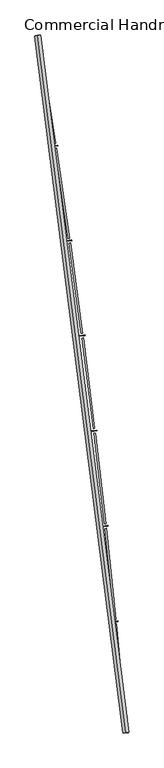
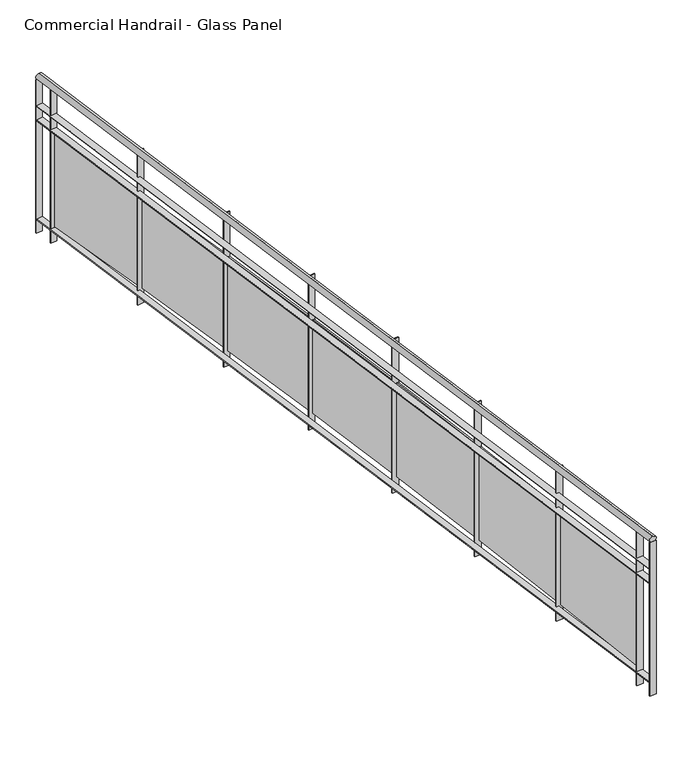
"""IFC4 building model written with IfcOpenShell, lengths in millimetres: railing geometry, Commercial Handrail - Glass Panel."""

import ifcopenshell
import ifcopenshell.guid

model = None  # the IFC model being written
_history = None  # IfcOwnerHistory: only IFC2X3 demands one
_inside = {}  # id of a spatial element -> (the spatial element, [elements in it])
_under = {}  # id of a project, library or spatial element -> (it, [spatial elements below it])
_declared = {}  # id of a project -> (the project, [libraries it declares])
_typed = {}  # id of a type object -> (the type object, [elements of that type])
_made_of = {}  # id of a material, layer set ... -> (it, [elements and type objects made of it])


def new_model(schema):
    """Start an empty IFC model of exactly this schema.

    Asked for "IFC4X3", IfcOpenShell would pick the latest addendum, in which some entities
    have other attributes; the version numbers below select the first issue.
    IFC2X3 requires an IfcOwnerHistory on every rooted entity: one is made here for all.
    """
    global model, _history
    if schema == "IFC4X3":
        model = ifcopenshell.file(schema_version=(4, 3, 0, 0))
    else:
        model = ifcopenshell.file(schema=schema)
    _inside.clear()
    _under.clear()
    _declared.clear()
    _typed.clear()
    _made_of.clear()
    _history = None
    if model.schema == "IFC2X3":
        org = make("IfcOrganization", Name="unknown")
        user = make(
            "IfcPersonAndOrganization",
            ThePerson=make("IfcPerson", FamilyName="unknown"),
            TheOrganization=org,
        )
        app = make(
            "IfcApplication",
            ApplicationDeveloper=org,
            Version="unknown",
            ApplicationFullName="unknown",
            ApplicationIdentifier="unknown",
        )
        _history = make(
            "IfcOwnerHistory",
            OwningUser=user,
            OwningApplication=app,
            ChangeAction="ADDED",
            CreationDate=0,
        )
    return model


def make(cls, **values):
    """One entity of the class cls with the attributes given. An attribute that is None is left unset."""
    return model.create_entity(
        cls, **{name: value for name, value in values.items() if value is not None}
    )


def rooted(cls, **values):
    """An entity with a GlobalId (a new one), such as an element, a storey or a relation."""
    return make(cls, GlobalId=ifcopenshell.guid.new(), OwnerHistory=_history, **values)


def si_unit(unit_type, name, prefix=None):
    """IfcSIUnit, for example si_unit("LENGTHUNIT", "METRE", prefix="MILLI")."""
    return make("IfcSIUnit", UnitType=unit_type, Prefix=prefix, Name=name)


def assignment(units):
    """IfcUnitAssignment: the units of a project."""
    return None if units is None else make("IfcUnitAssignment", Units=units)


def point(xyz):
    """IfcCartesianPoint."""
    return None if xyz is None else make("IfcCartesianPoint", Coordinates=xyz)


def direction(xyz):
    """IfcDirection."""
    return None if xyz is None else make("IfcDirection", DirectionRatios=xyz)


def frame(location, z_axis=None, x_axis=None):
    """IfcAxis2Placement3D, a coordinate frame: its origin and axes. An axis left out is left unset."""
    return make(
        "IfcAxis2Placement3D",
        Location=point(location),
        Axis=direction(z_axis),
        RefDirection=direction(x_axis),
    )


def origin():
    """The frame at (0, 0, 0) with its axes left unset."""
    return frame((0.0, 0.0, 0.0))


def place(relative_to, where):
    """IfcLocalPlacement: puts the frame where relative to a parent placement (None: the world)."""
    return make(
        "IfcLocalPlacement", PlacementRelTo=relative_to, RelativePlacement=where
    )


def context(
    kind, dimensions, precision=None, world=None, true_north=None, identifier=None
):
    """IfcGeometricRepresentationContext, for example the 3D "Model" context."""
    return make(
        "IfcGeometricRepresentationContext",
        ContextIdentifier=identifier,
        ContextType=kind,
        CoordinateSpaceDimension=dimensions,
        Precision=precision,
        WorldCoordinateSystem=world,
        TrueNorth=true_north,
    )


def project(units=None, contexts=None):
    """IfcProject with its units and contexts."""
    return rooted(
        "IfcProject",
        Name="project",
        RepresentationContexts=contexts,
        UnitsInContext=assignment(units),
    )


def spatial(cls, under=None, at=None, **own):
    """A site, building, storey or space (cls), placed at a placement, below another one or the project."""
    s = rooted(cls, ObjectPlacement=at, **own)
    if under is not None:
        _under.setdefault(under.id(), (under, []))[1].append(s)
    return s


def polyline(points):
    """IfcPolyline through the points."""
    return make("IfcPolyline", Points=[point(p) for p in points])


def circle_curve(where, radius):
    """IfcCircle in the frame where."""
    return make("IfcCircle", Position=where, Radius=radius)


def ellipse_curve(where, semi_axis1, semi_axis2):
    """IfcEllipse in the frame where."""
    return make(
        "IfcEllipse", Position=where, SemiAxis1=semi_axis1, SemiAxis2=semi_axis2
    )


def trimmed(basis, trim1, trim2, sense, master):
    """IfcTrimmedCurve: the piece of a basis curve between two trims."""
    return make(
        "IfcTrimmedCurve",
        BasisCurve=basis,
        Trim1=trim1,
        Trim2=trim2,
        SenseAgreement=sense,
        MasterRepresentation=master,
    )


def outline(outer, holes=None, kind="AREA"):
    """IfcArbitraryClosedProfileDef: a profile drawn as a closed curve; with holes, ...WithVoids."""
    if holes is None:
        return make("IfcArbitraryClosedProfileDef", ProfileType=kind, OuterCurve=outer)
    return make(
        "IfcArbitraryProfileDefWithVoids",
        ProfileType=kind,
        OuterCurve=outer,
        InnerCurves=holes,
    )


def extrude(swept, where, along, depth):
    """IfcExtrudedAreaSolid: the profile swept, set in the frame where, extruded along a direction by depth."""
    return make(
        "IfcExtrudedAreaSolid",
        SweptArea=swept,
        Position=where,
        ExtrudedDirection=direction(along),
        Depth=depth,
    )


def shape(context_of_items, identifier, shape_type, items):
    """IfcShapeRepresentation: the items that make up one representation, for example the "Body"."""
    return make(
        "IfcShapeRepresentation",
        ContextOfItems=context_of_items,
        RepresentationIdentifier=identifier,
        RepresentationType=shape_type,
        Items=items,
    )


def source(mapping_origin, context_of_items, identifier, shape_type, items):
    """IfcRepresentationMap: a shape defined once, which mapped items show again and again."""
    return make(
        "IfcRepresentationMap",
        MappingOrigin=mapping_origin,
        MappedRepresentation=shape(context_of_items, identifier, shape_type, items),
    )


def transform(
    local_origin,
    x_axis=None,
    y_axis=None,
    z_axis=None,
    scale=None,
    scale2=None,
    scale3=None,
    uniform=True,
):
    """IfcCartesianTransformationOperator3D, or its non-uniform kind. x_axis, y_axis, z_axis: its Axis1, 2, 3."""
    if uniform:
        return make(
            "IfcCartesianTransformationOperator3D",
            Axis1=direction(x_axis),
            Axis2=direction(y_axis),
            LocalOrigin=point(local_origin),
            Scale=scale,
            Axis3=direction(z_axis),
        )
    return make(
        "IfcCartesianTransformationOperator3DnonUniform",
        Axis1=direction(x_axis),
        Axis2=direction(y_axis),
        LocalOrigin=point(local_origin),
        Scale=scale,
        Axis3=direction(z_axis),
        Scale2=scale2,
        Scale3=scale3,
    )


def mapped(mapping_source, mapping_target):
    """IfcMappedItem: shows the shape of a source again, moved by a transform."""
    return make(
        "IfcMappedItem", MappingSource=mapping_source, MappingTarget=mapping_target
    )


def made_of(thing, what):
    """Note that an element or type object is made of a material, layer set ...; save() writes the relation."""
    if what is not None:
        _made_of.setdefault(what.id(), (what, []))[1].append(thing)
    return thing


def element(
    cls,
    number,
    at=None,
    inside=None,
    cuts=None,
    type_object=None,
    material=None,
    context=None,
    identifier="Body",
    shape_type=None,
    held_by="IfcProductDefinitionShape",
    body=None,
    shapes=None,
    **own,
):
    """One element of the class cls, such as IfcWall. Its Tag is "e" and its number.

    at: its placement. inside: the storey or other place that contains it. cuts: it is an
    opening in that element (IfcRelVoidsElement). A single representation is given by context,
    identifier, shape_type and body (its items); several are given by shapes. held_by: the class
    of the entity that holds the representations. save() writes the other relations.
    """
    e = rooted(cls, Tag="e%d" % number, ObjectPlacement=at, **own)
    if body is not None:
        shapes = [shape(context, identifier, shape_type, body)]
    if shapes is not None:
        e.Representation = make(held_by, Representations=shapes)
    if inside is not None:
        _inside.setdefault(inside.id(), (inside, []))[1].append(e)
    if cuts is not None:
        rooted(
            "IfcRelVoidsElement", RelatingBuildingElement=cuts, RelatedOpeningElement=e
        )
    if type_object is not None:
        _typed.setdefault(type_object.id(), (type_object, []))[1].append(e)
    return made_of(e, material)


def aggregate(whole, parts):
    """IfcRelAggregates: a whole, such as a stair, and the parts it consists of."""
    return rooted("IfcRelAggregates", RelatingObject=whole, RelatedObjects=parts)


def save(model, path):
    """Write the relations noted so far, then the file.

    IfcRelAggregates (storeys below a building ...), IfcRelContainedInSpatialStructure (elements
    in a storey), IfcRelDefinesByType, IfcRelAssociatesMaterial and IfcRelDeclares: one each for
    every whole, place, type object, material and project.
    """
    for whole, parts in _under.values():
        aggregate(whole, parts)
    for where, things in _inside.values():
        rooted(
            "IfcRelContainedInSpatialStructure",
            RelatedElements=things,
            RelatingStructure=where,
        )
    for kind, things in _typed.values():
        rooted("IfcRelDefinesByType", RelatedObjects=things, RelatingType=kind)
    for what, things in _made_of.values():
        rooted("IfcRelAssociatesMaterial", RelatedObjects=things, RelatingMaterial=what)
    for by, libraries in _declared.values():
        rooted("IfcRelDeclares", RelatingContext=by, RelatedDefinitions=libraries)
    model.write(path)


def plane_surface(at):
    """IfcPlane: the flat surface through the origin of the frame at, square to its z axis."""
    return make("IfcPlane", Position=at)


def cylinder_surface(at, radius):
    """IfcCylindricalSurface: all points at the distance radius from the z axis of the frame at."""
    return make("IfcCylindricalSurface", Position=at, Radius=radius)


def revolved_surface(curve, axis_point, axis_direction):
    """IfcSurfaceOfRevolution: the curve turned about the line through axis_point along axis_direction."""
    return make(
        "IfcSurfaceOfRevolution",
        SweptCurve=make("IfcArbitraryOpenProfileDef", ProfileType="CURVE", Curve=curve),
        AxisPosition=make("IfcAxis1Placement", Location=point(axis_point), Axis=direction(axis_direction)),
    )


def advanced_brep(points, edges, surfaces, faces):
    """IfcAdvancedBrep: a solid bounded by faces that lie on surfaces and meet in shared edges.

    An edge is (start, end): straight between two places in points (the first is 0);
    or (start, end, curve); or (start, end, curve, False) where it runs against its curve.
    A face is (place in surfaces, loops), or (place, loops, False) where it looks against
    its surface's normal. A loop lists edges by number (the first is 1), with a minus sign
    where the edge is run from its end to its start. The first loop is the outer one.
    """
    corners = [point(p) for p in points]
    vertices = [make("IfcVertexPoint", VertexGeometry=c) for c in corners]
    made = []
    for start, end, *more in edges:
        made.append(
            make(
                "IfcEdgeCurve",
                EdgeStart=vertices[start],
                EdgeEnd=vertices[end],
                EdgeGeometry=more[0] if more else make("IfcPolyline", Points=[corners[start], corners[end]]),
                SameSense=more[1] if len(more) > 1 else True,
            )
        )
    hull = []
    for where, loops, *sense in faces:
        bounds = []
        for j, loop in enumerate(loops):
            ring = [make("IfcOrientedEdge", EdgeElement=made[abs(k) - 1], Orientation=k > 0) for k in loop]
            bounds.append(
                make(
                    "IfcFaceOuterBound" if j == 0 else "IfcFaceBound",
                    Bound=make("IfcEdgeLoop", EdgeList=ring),
                    Orientation=True,
                )
            )
        hull.append(make("IfcAdvancedFace", Bounds=bounds, FaceSurface=surfaces[where], SameSense=sense[0] if sense else True))
    return make("IfcAdvancedBrep", Outer=make("IfcClosedShell", CfsFaces=hull))


def commercial_handrail_glass_panel_b1d7d385(model_context):
    return source(origin(), model_context, "Body", "SolidModel", [
        advanced_brep(
        [(182571.9295754, -52879.5364282, 26482.5), (181834.8110467, -47067.1917957, 26482.5), (181834.8110467, -47067.1917957, 26517.5), (182571.9295754, -52879.5364282, 26517.5)],
        [
            (0, 1, circle_curve(frame((104368.4569212, -59844.3474174, 26482.5), z_axis=(0.0, 0.0, 1.0), x_axis=(0.9866690945138685, 0.16273935581531185, 0.0)), 78513.0035554)),
            (1, 2, ellipse_curve(frame((181834.8110467, -47067.1917957, 26500.0), z_axis=(0.16273935581530558, -0.9866690945138697, 0.0), x_axis=(-0.9866690945138695, -0.16273935581530555, 0.0)), 25.0, 17.5)),
            (2, 3, circle_curve(frame((104368.4569212, -59844.3474174, 26517.5), z_axis=(0.0, 0.0, -1.0), x_axis=(0.9866690945138685, 0.16273935581531185, 0.0)), 78513.0035554)),
            (3, 0, ellipse_curve(frame((182571.9295754, -52879.5364282, 26500.0), z_axis=(-0.08870901218759285, 0.9960575842574071, 0.0), x_axis=(-0.9960575842574071, -0.08870901218759285, 0.0)), 25.0, 17.5)),
            (2, 1, ellipse_curve(frame((181834.8110467, -47067.1917957, 26500.0), z_axis=(0.16273935581530558, -0.9866690945138697, 0.0), x_axis=(-0.9866690945138695, -0.16273935581530555, 0.0)), 25.0, 17.5)),
            (0, 3, ellipse_curve(frame((182571.9295754, -52879.5364282, 26500.0), z_axis=(-0.08870901218759285, 0.9960575842574071, 0.0), x_axis=(-0.9960575842574071, -0.08870901218759285, 0.0)), 25.0, 17.5)),
        ],
        [
            revolved_surface(trimmed(ellipse_curve(frame((181834.8110467, -47067.1917957, 26500.0), z_axis=(-0.16273935581531185, 0.9866690945138685, 0.0), x_axis=(0.0, 0.0, -1.0)), 17.5, 25.0), [point((181834.8110467, -47067.1917957, 26517.5))], [point((181834.8110467, -47067.1917957, 26482.5))], True, "CARTESIAN"), (104368.4569212, -59844.3474174, 26500.0), (0.0, 0.0, -1.0)),
            revolved_surface(trimmed(ellipse_curve(frame((181834.8110467, -47067.1917957, 26500.0), z_axis=(-0.16273935581531185, 0.9866690945138685, 0.0), x_axis=(0.0, 0.0, -1.0)), 17.5, 25.0), [point((181834.8110467, -47067.1917957, 26482.5))], [point((181834.8110467, -47067.1917957, 26517.5))], True, "CARTESIAN"), (104368.4569212, -59844.3474174, 26500.0), (0.0, 0.0, -1.0)),
            plane_surface(frame((181834.8110467, -47067.1917957, 26500.0), z_axis=(-0.16273935581531188, 0.9866690945138686, 0.0), x_axis=(0.9866690945138686, 0.16273935581531188, 0.0))),
            plane_surface(frame((182571.9295754, -52879.5364282, 26500.0), z_axis=(0.08870901218759289, -0.9960575842574071, 0.0), x_axis=(0.9960575842574071, 0.08870901218759289, 0.0))),
        ],
        [
            (0, [[1, 2, 3, 4]]),
            (1, [[-3, 5, -1, 6]]),
            (2, [[-2, -5]]),
            (3, [[-6, -4]]),
        ],
    ),
        advanced_brep(
        [(182594.340871, -52877.5404754, 26300.0), (181857.0111014, -47063.5301602, 26300.0), (181812.6109921, -47070.8534312, 26300.0), (182549.5182797, -52881.5323809, 26300.0), (182594.340871, -52877.5404754, 26294.0), (181857.0111014, -47063.5301602, 26294.0), (182549.5182797, -52881.5323809, 26294.0), (181812.6109921, -47070.8534312, 26294.0)],
        [
            (0, 1, circle_curve(frame((104368.4569212, -59844.3474174, 26300.0), z_axis=(0.0, 0.0, 1.0), x_axis=(0.9866690945138685, 0.16273935581531185, 0.0)), 78535.5035554)),
            (1, 2),
            (2, 3, circle_curve(frame((104368.4569212, -59844.3474174, 26300.0), z_axis=(0.0, 0.0, -1.0), x_axis=(0.9866690945138685, 0.16273935581531185, 0.0)), 78490.5035554)),
            (3, 0),
            (4, 5, circle_curve(frame((104368.4569212, -59844.3474174, 26294.0), z_axis=(0.0, 0.0, 1.0), x_axis=(0.9866690945138685, 0.16273935581531185, 0.0)), 78535.5035554)),
            (5, 1),
            (0, 4),
            (6, 7, circle_curve(frame((104368.4569212, -59844.3474174, 26294.0), z_axis=(0.0, 0.0, 1.0), x_axis=(0.9866690945138685, 0.16273935581531185, 0.0)), 78490.5035554)),
            (7, 5),
            (4, 6),
            (2, 7),
            (6, 3),
        ],
        [
            plane_surface(frame((104368.4569212, -59844.3474174, 26300.0), z_axis=(0.0, 0.0, 1.0000000000000002), x_axis=(0.9866690945138686, 0.16273935581531188, 0.0))),
            cylinder_surface(frame((104368.4569212, -59844.3474174, 26300.0), z_axis=(0.0, 0.0, -1.0), x_axis=(0.9866690945138685, 0.16273935581531185, 0.0)), 78535.5035554),
            plane_surface(frame((104368.4569212, -59844.3474174, 26294.0), z_axis=(0.0, 0.0, -1.0000000000000002), x_axis=(0.9866690945138686, 0.16273935581531188, 0.0))),
            revolved_surface(polyline([(181812.6109921441, -47070.85343117476, 26294.0), (181812.6109921441, -47070.85343117476, 26300.0)]), (104368.4569212, -59844.3474174, 26300.0), (0.0, 0.0, -1.0)),
            plane_surface(frame((181834.8110467, -47067.1917957, 26300.0), z_axis=(-0.16273935581531188, 0.9866690945138686, 0.0), x_axis=(0.9866690945138686, 0.16273935581531188, 0.0))),
            plane_surface(frame((182571.9295754, -52879.5364282, 26300.0), z_axis=(0.08870901218759289, -0.9960575842574071, 0.0), x_axis=(0.9960575842574071, 0.08870901218759289, 0.0))),
        ],
        [
            (0, [[1, 2, 3, 4]]),
            (1, [[5, 6, -1, 7]]),
            (2, [[8, 9, -5, 10]]),
            (3, [[-3, 11, -8, 12]]),
            (4, [[-2, -6, -9, -11]]),
            (5, [[-12, -10, -7, -4]]),
        ],
    ),
        advanced_brep(
        [(182594.340871, -52877.5404754, 26200.0), (181857.0111014, -47063.5301602, 26200.0), (181812.6109921, -47070.8534312, 26200.0), (182549.5182797, -52881.5323809, 26200.0), (182594.340871, -52877.5404754, 26194.0), (181857.0111014, -47063.5301602, 26194.0), (182549.5182797, -52881.5323809, 26194.0), (181812.6109921, -47070.8534312, 26194.0)],
        [
            (0, 1, circle_curve(frame((104368.4569212, -59844.3474174, 26200.0), z_axis=(0.0, 0.0, 1.0), x_axis=(0.9866690945138685, 0.16273935581531185, 0.0)), 78535.5035554)),
            (1, 2),
            (2, 3, circle_curve(frame((104368.4569212, -59844.3474174, 26200.0), z_axis=(0.0, 0.0, -1.0), x_axis=(0.9866690945138685, 0.16273935581531185, 0.0)), 78490.5035554)),
            (3, 0),
            (4, 5, circle_curve(frame((104368.4569212, -59844.3474174, 26194.0), z_axis=(0.0, 0.0, 1.0), x_axis=(0.9866690945138685, 0.16273935581531185, 0.0)), 78535.5035554)),
            (5, 1),
            (0, 4),
            (6, 7, circle_curve(frame((104368.4569212, -59844.3474174, 26194.0), z_axis=(0.0, 0.0, 1.0), x_axis=(0.9866690945138685, 0.16273935581531185, 0.0)), 78490.5035554)),
            (7, 5),
            (4, 6),
            (2, 7),
            (6, 3),
        ],
        [
            plane_surface(frame((104368.4569212, -59844.3474174, 26200.0), z_axis=(0.0, 0.0, 1.0000000000000002), x_axis=(0.9866690945138686, 0.16273935581531188, 0.0))),
            cylinder_surface(frame((104368.4569212, -59844.3474174, 26200.0), z_axis=(0.0, 0.0, -1.0), x_axis=(0.9866690945138685, 0.16273935581531185, 0.0)), 78535.5035554),
            plane_surface(frame((104368.4569212, -59844.3474174, 26194.0), z_axis=(0.0, 0.0, -1.0000000000000002), x_axis=(0.9866690945138686, 0.16273935581531188, 0.0))),
            revolved_surface(polyline([(181812.6109921441, -47070.85343117476, 26194.0), (181812.6109921441, -47070.85343117476, 26200.0)]), (104368.4569212, -59844.3474174, 26200.0), (0.0, 0.0, -1.0)),
            plane_surface(frame((181834.8110467, -47067.1917957, 26200.0), z_axis=(-0.16273935581531188, 0.9866690945138686, 0.0), x_axis=(0.9866690945138686, 0.16273935581531188, 0.0))),
            plane_surface(frame((182571.9295754, -52879.5364282, 26200.0), z_axis=(0.08870901218759289, -0.9960575842574071, 0.0), x_axis=(0.9960575842574071, 0.08870901218759289, 0.0))),
        ],
        [
            (0, [[1, 2, 3, 4]]),
            (1, [[5, 6, -1, 7]]),
            (2, [[8, 9, -5, 10]]),
            (3, [[-3, 11, -8, 12]]),
            (4, [[-2, -6, -9, -11]]),
            (5, [[-12, -10, -7, -4]]),
        ],
    ),
        advanced_brep(
        [(182594.340871, -52877.5404754, 25500.0), (181857.0111014, -47063.5301602, 25500.0), (181812.6109921, -47070.8534312, 25500.0), (182549.5182797, -52881.5323809, 25500.0), (182594.340871, -52877.5404754, 25494.0), (181857.0111014, -47063.5301602, 25494.0), (182549.5182797, -52881.5323809, 25494.0), (181812.6109921, -47070.8534312, 25494.0)],
        [
            (0, 1, circle_curve(frame((104368.4569212, -59844.3474174, 25500.0), z_axis=(0.0, 0.0, 1.0), x_axis=(0.9866690945138685, 0.16273935581531185, 0.0)), 78535.5035554)),
            (1, 2),
            (2, 3, circle_curve(frame((104368.4569212, -59844.3474174, 25500.0), z_axis=(0.0, 0.0, -1.0), x_axis=(0.9866690945138685, 0.16273935581531185, 0.0)), 78490.5035554)),
            (3, 0),
            (4, 5, circle_curve(frame((104368.4569212, -59844.3474174, 25494.0), z_axis=(0.0, 0.0, 1.0), x_axis=(0.9866690945138685, 0.16273935581531185, 0.0)), 78535.5035554)),
            (5, 1),
            (0, 4),
            (6, 7, circle_curve(frame((104368.4569212, -59844.3474174, 25494.0), z_axis=(0.0, 0.0, 1.0), x_axis=(0.9866690945138685, 0.16273935581531185, 0.0)), 78490.5035554)),
            (7, 5),
            (4, 6),
            (2, 7),
            (6, 3),
        ],
        [
            plane_surface(frame((104368.4569212, -59844.3474174, 25500.0), z_axis=(0.0, 0.0, 1.0000000000000002), x_axis=(0.9866690945138686, 0.16273935581531188, 0.0))),
            cylinder_surface(frame((104368.4569212, -59844.3474174, 25500.0), z_axis=(0.0, 0.0, -1.0), x_axis=(0.9866690945138685, 0.16273935581531185, 0.0)), 78535.5035554),
            plane_surface(frame((104368.4569212, -59844.3474174, 25494.0), z_axis=(0.0, 0.0, -1.0000000000000002), x_axis=(0.9866690945138686, 0.16273935581531188, 0.0))),
            revolved_surface(polyline([(181812.6109921441, -47070.85343117476, 25494.0), (181812.6109921441, -47070.85343117476, 25500.0)]), (104368.4569212, -59844.3474174, 25500.0), (0.0, 0.0, -1.0)),
            plane_surface(frame((181834.8110467, -47067.1917957, 25500.0), z_axis=(-0.16273935581531188, 0.9866690945138686, 0.0), x_axis=(0.9866690945138686, 0.16273935581531188, 0.0))),
            plane_surface(frame((182571.9295754, -52879.5364282, 25500.0), z_axis=(0.08870901218759289, -0.9960575842574071, 0.0), x_axis=(0.9960575842574071, 0.08870901218759289, 0.0))),
        ],
        [
            (0, [[1, 2, 3, 4]]),
            (1, [[5, 6, -1, 7]]),
            (2, [[8, 9, -5, 10]]),
            (3, [[-3, 11, -8, 12]]),
            (4, [[-2, -6, -9, -11]]),
            (5, [[-12, -10, -7, -4]]),
        ],
    ),
        extrude(outline(polyline([(182537.5994721, -52748.9749653), (182582.4153855, -52744.9087751), (182582.9575442, -52750.8842302), (182538.1416308, -52754.9504204), (182537.5994721, -52748.9749653)])), frame((0.0, 0.0, 25400.0), z_axis=(0.0, 0.0, 1.0), x_axis=(1.0, 0.0, 0.0)), (0.0, 0.0, 1.0), 1082.1192282),
        extrude(outline(polyline([(182492.8282703, -51972.8214769), (182565.3569267, -52729.3527677), (182553.4116957, -52730.497957), (182480.8830394, -51973.9666662), (182492.8282703, -51972.8214769)])), frame((0.0, 0.0, 25520.0), z_axis=(0.0, 0.0, 1.0), x_axis=(1.0, 0.0, 0.0)), (0.0, 0.0, 1.0), 660.0),
        extrude(outline(polyline([(182461.2452987, -51952.8608143), (182506.0174543, -51948.3381961), (182506.6204701, -51954.3078168), (182461.8483144, -51958.830435), (182461.2452987, -51952.8608143)])), frame((0.0, 0.0, 25400.0), z_axis=(0.0, 0.0, 1.0), x_axis=(1.0, 0.0, 0.0)), (0.0, 0.0, 1.0), 1082.1192282),
        extrude(outline(polyline([(182408.5680235, -51177.2038007), (182488.8013774, -51932.9568086), (182476.8684352, -51934.223651), (182396.6350812, -51178.4706431), (182408.5680235, -51177.2038007)])), frame((0.0, 0.0, 25520.0), z_axis=(0.0, 0.0, 1.0), x_axis=(1.0, 0.0, 0.0)), (0.0, 0.0, 1.0), 660.0),
        extrude(outline(polyline([(182376.7833078, -51157.5659801), (182421.5070573, -51152.5874034), (182422.1708676, -51158.55057), (182377.447118, -51163.5291467), (182376.7833078, -51157.5659801)])), frame((0.0, 0.0, 25400.0), z_axis=(0.0, 0.0, 1.0), x_axis=(1.0, 0.0, 0.0)), (0.0, 0.0, 1.0), 1082.1192282),
        extrude(outline(polyline([(182316.2054283, -50382.4859723), (182404.1351498, -51137.3822327), (182392.2157352, -51138.7705968), (182304.2860136, -50383.8743363), (182316.2054283, -50382.4859723)])), frame((0.0, 0.0, 25520.0), z_axis=(0.0, 0.0, 1.0), x_axis=(1.0, 0.0, 0.0)), (0.0, 0.0, 1.0), 660.0),
        extrude(outline(polyline([(182284.2222685, -50363.1730325), (182328.8929686, -50357.7390141), (182329.6175044, -50363.6951075), (182284.9468043, -50369.1291258), (182284.2222685, -50363.1730325)])), frame((0.0, 0.0, 25400.0), z_axis=(0.0, 0.0, 1.0), x_axis=(1.0, 0.0, 0.0)), (0.0, 0.0, 1.0), 1082.1192282),
        extrude(outline(polyline([(182215.750074, -49588.7505014), (182311.3670341, -50342.711639), (182299.4623845, -50344.2213805), (182203.8454245, -49590.2602429), (182215.750074, -49588.7505014)])), frame((0.0, 0.0, 25520.0), z_axis=(0.0, 0.0, 1.0), x_axis=(1.0, 0.0, 0.0)), (0.0, 0.0, 1.0), 660.0),
        extrude(outline(polyline([(182183.5717908, -49569.7644476), (182228.1848036, -49563.8755518), (182228.9699897, -49569.8239535), (182184.3569769, -49575.7128493), (182183.5717908, -49569.7644476)])), frame((0.0, 0.0, 25400.0), z_axis=(0.0, 0.0, 1.0), x_axis=(1.0, 0.0, 0.0)), (0.0, 0.0, 1.0), 1082.1192282),
        extrude(outline(polyline([(182107.2123904, -48796.0797961), (182210.5066616, -49549.0275324), (182198.6180132, -49550.6584945), (182095.3237419, -48797.7107583), (182107.2123904, -48796.0797961)])), frame((0.0, 0.0, 25520.0), z_axis=(0.0, 0.0, 1.0), x_axis=(1.0, 0.0, 0.0)), (0.0, 0.0, 1.0), 660.0),
        extrude(outline(polyline([(182074.8423245, -48777.4225994), (182119.3930181, -48771.0794376), (182120.238773, -48777.0195301), (182075.6880794, -48783.3626919), (182074.8423245, -48777.4225994)])), frame((0.0, 0.0, 25400.0), z_axis=(0.0, 0.0, 1.0), x_axis=(1.0, 0.0, 0.0)), (0.0, 0.0, 1.0), 1082.1192282),
        extrude(outline(polyline([(181990.6036459, -48004.5561536), (182101.5645041, -48756.4123154), (182089.6930911, -48758.1643289), (181978.7322329, -48006.3081672), (181990.6036459, -48004.5561536)])), frame((0.0, 0.0, 25520.0), z_axis=(0.0, 0.0, 1.0), x_axis=(1.0, 0.0, 0.0)), (0.0, 0.0, 1.0), 660.0),
        extrude(outline(polyline([(181958.0451582, -47986.2297512), (182002.5289072, -47979.4329819), (182003.4351431, -47985.3641484), (181958.9513941, -47992.1609177), (181958.0451582, -47986.2297512)])), frame((0.0, 0.0, 25400.0), z_axis=(0.0, 0.0, 1.0), x_axis=(1.0, 0.0, 0.0)), (0.0, 0.0, 1.0), 1082.1192282),
        extrude(outline(polyline([(181865.9359474, -47214.2617523), (181984.5518723, -47964.9482797), (181972.6989271, -47966.8211627), (181854.0830022, -47216.1346353), (181865.9359474, -47214.2617523)])), frame((0.0, 0.0, 25520.0), z_axis=(0.0, 0.0, 1.0), x_axis=(1.0, 0.0, 0.0)), (0.0, 0.0, 1.0), 660.0),
        extrude(outline(polyline([(181833.1924181, -47196.2680467), (181877.6046042, -47189.0183756), (181878.571227, -47194.9400004), (181834.1590409, -47202.1896715), (181833.1924181, -47196.2680467)])), frame((0.0, 0.0, 25400.0), z_axis=(0.0, 0.0, 1.0), x_axis=(1.0, 0.0, 0.0)), (0.0, 0.0, 1.0), 1082.1192282),
        extrude(outline(polyline([(182549.2521527, -52878.5442082), (182594.074744, -52874.5523026), (182594.606998, -52880.5286481), (182549.7844067, -52884.5205537), (182549.2521527, -52878.5442082)])), frame((0.0, 0.0, 25400.0), z_axis=(0.0, 0.0, 1.0), x_axis=(1.0, 0.0, 0.0)), (0.0, 0.0, 1.0), 1082.1192282),
        extrude(outline(polyline([(181812.122774, -47067.8934239), (181856.5228833, -47060.5701529), (181857.4993194, -47066.4901675), (181813.0992102, -47073.8134385), (181812.122774, -47067.8934239)])), frame((0.0, 0.0, 25400.0), z_axis=(0.0, 0.0, 1.0), x_axis=(1.0, 0.0, 0.0)), (0.0, 0.0, 1.0), 1082.1192282),
    ])


if __name__ == "__main__":
    model = new_model("IFC4")
    model_context = context("Model", 3, world=origin())
    ifc_project = project(units=[si_unit("LENGTHUNIT", "METRE", prefix="MILLI")], contexts=[model_context])
    site = spatial("IfcSite", under=ifc_project)
    building = spatial("IfcBuilding", under=site)
    placement = place(None, origin())
    commercial_handrail_glass_panel_shape = commercial_handrail_glass_panel_b1d7d385(model_context)
    element("IfcRailing", 1, ObjectType="Commercial Handrail - Glass Panel", at=placement, inside=building, context=model_context, shape_type="MappedRepresentation", body=[
        mapped(commercial_handrail_glass_panel_shape, transform((0.0, 0.0, 0.0), x_axis=(1.0, 0.0, 0.0), y_axis=(0.0, 1.0, 0.0), z_axis=(0.0, 0.0, 1.0))),
    ])
    save(model, "model.ifc")
